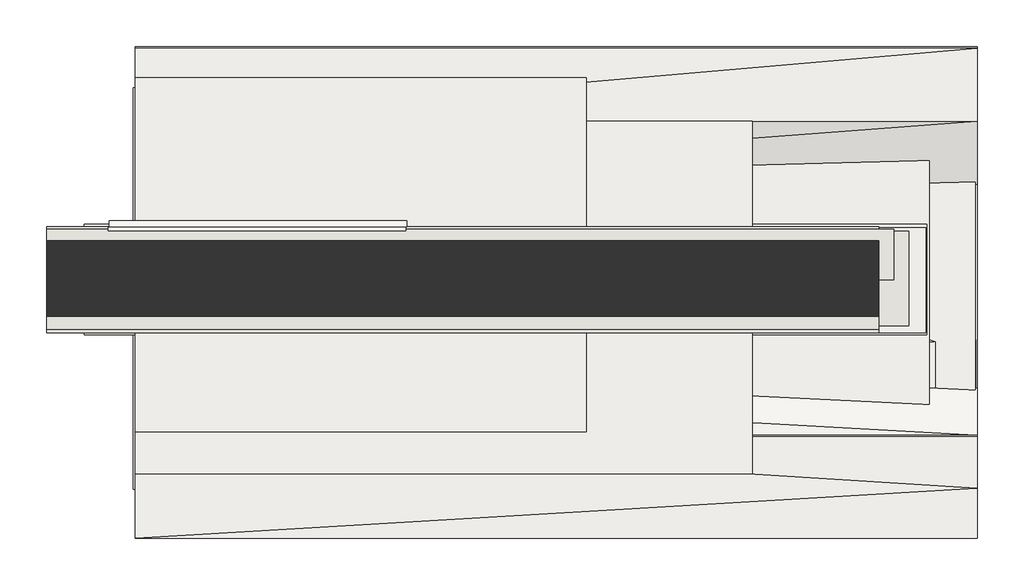
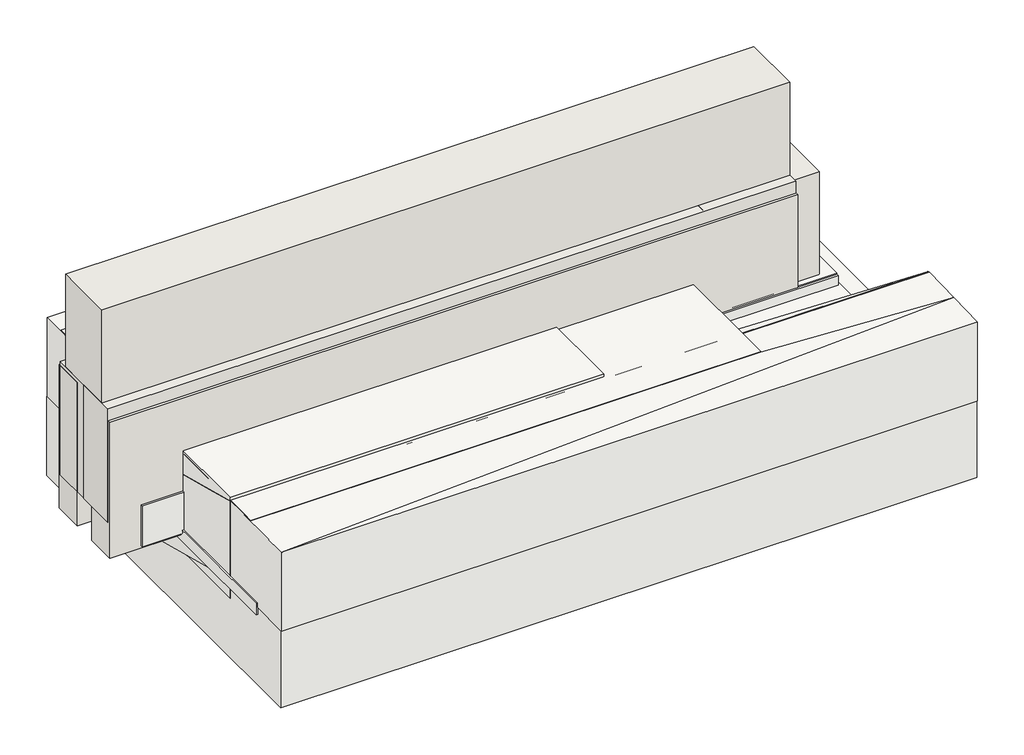
# One storey: 8 slabs, 6 walls, 2 coverings.
"""IFC4 building model written with IfcOpenShell, lengths in millimetres."""

from ifc_helpers import new_model, si_unit, frame, origin, place, context, project, spatial, polyline, outline, extrude, faceted_brep, element, save
from ifc_brep_helpers import plane_surface, spline_surface, advanced_brep

model = new_model("IFC4")

# Units and contexts
model_context = context("Model", 3, world=origin())
ifc_project = project(units=[si_unit("LENGTHUNIT", "METRE", prefix="MILLI")], contexts=[model_context])

# Site, building, storey
site = spatial("IfcSite", under=ifc_project)
building = spatial("IfcBuilding", under=site)
storey = spatial("IfcBuildingStorey", under=building, Elevation=0.0)

# Coverings
placement = place(None, origin())
element("IfcCovering", 1, at=placement, inside=storey, context=model_context, shape_type="SweptSolid", body=[
    extrude(outline(polyline([(7980.4213476, 4397.1151596), (7980.4213476, 2805.2274414), (4640.4213476, 2805.2274414), (4640.4213476, 4397.1151596), (7980.4213476, 4397.1151596)])), frame((0.0, 0.0, 220.0), z_axis=(0.0, 0.0, 1.0), x_axis=(1.0, 0.0, 0.0)), (0.0, 0.0, 1.0), 57.0),
])
element("IfcCovering", 2, at=placement, inside=storey, context=model_context, shape_type="SweptSolid", body=[
    extrude(outline(polyline([(7783.6535359, 3841.1877336), (7783.6535359, 3426.1877336), (4443.6535359, 3426.1877336), (4443.6535359, 3841.1877336), (7783.6535359, 3841.1877336)])), frame((0.0, 0.0, 425.8932997), z_axis=(0.0, 0.0, 1.0), x_axis=(1.0, 0.0, 0.0)), (0.0, 0.0, 1.0), 52.0),
])

# Slabs
element("IfcSlab", 3, at=placement, inside=storey, context=model_context, shape_type="SweptSolid", body=[
    extrude(outline(polyline([(7989.0877414, 4560.543224), (7989.0877414, 2616.3166013), (4648.7564856, 2616.3166013), (4648.7564856, 4560.543224), (7989.0877414, 4560.543224)])), frame((0.0, 0.0, -140.0), z_axis=(0.0, 0.0, 1.0), x_axis=(1.0, 0.0, 0.0)), (0.0, 0.0, 1.0), 400.0),
])
element("IfcSlab", 4, at=placement, inside=storey, context=model_context, shape_type="SweptSolid", body=[
    extrude(outline(polyline([(7096.2912026, 4264.9460825), (7096.2912026, 2865.3859689), (4648.7564856, 2865.3859689), (4648.7564856, 4264.9460825), (7096.2912026, 4264.9460825)])), frame((0.0, 0.0, 260.0), z_axis=(0.0, 0.0, 1.0), x_axis=(1.0, 0.0, 0.0)), (0.0, 0.0, 1.0), 400.0),
])
element("IfcSlab", 5, at=placement, inside=storey, context=model_context, shape_type="SweptSolid", body=[
    extrude(outline(polyline([(7797.5447495, 4364.3734115), (7797.5447495, 2938.1356636), (4837.2134937, 2938.1356636), (4837.2134937, 4364.3734115), (7797.5447495, 4364.3734115)])), frame((0.0, 0.0, 165.0), z_axis=(0.0, 0.0, 1.0), x_axis=(1.0, 0.0, 0.0)), (0.0, 0.0, 1.0), 255.0),
])
element("IfcSlab", 6, at=placement, inside=storey, context=model_context, shape_type="SweptSolid", body=[
    extrude(outline(polyline([(7787.3391357, 3856.6185953), (7787.3391357, 3417.0584817), (4447.00788, 3417.0584817), (4447.00788, 3856.6185953), (7787.3391357, 3856.6185953)])), frame((0.0, 0.0, 259.6715829), z_axis=(0.0, 0.0, 1.0), x_axis=(1.0, 0.0, 0.0)), (0.0, 0.0, 1.0), 210.0),
])
element("IfcSlab", 7, at=placement, inside=storey, context=model_context, shape_type="Brep", body=[
    faceted_brep([(7988.4148019, 4554.2720647, 260.0), (7988.4148019, 4554.2720647, 660.0), (7988.4148019, 4263.8182402, 660.0), (7988.4148019, 4013.2127596, 260.0), (7988.4148019, 3399.0174095, 260.0), (7988.4148019, 3205.660579, 260.0), (7988.4148019, 3019.6042042, 660.0), (7988.4148019, 3012.3037485, 660.0), (7988.4148019, 2808.8158219, 655.8807445), (7988.4148019, 2610.045442, 651.761489), (7988.4148019, 2610.045442, 251.761489), (7988.4148019, 2808.8158219, 255.8807445), (7988.4148019, 3012.3037485, 260.0), (7988.4148019, 3019.6042042, 260.0), (7988.4148019, 3205.660579, -140.0), (7988.4148019, 3399.0174095, -140.0), (7988.4148019, 4013.2127596, -140.0), (7988.4148019, 4263.8182402, 260.0), (4648.0835461, 2610.045442, 651.761489), (4648.0835461, 2610.045442, 251.761489), (4648.0835461, 3019.6042042, 660.0), (4648.0835461, 3205.660579, 611.5057611), (4648.0835461, 4013.2127596, 401.023167), (4648.0835461, 4263.8182402, 660.0), (4648.0835461, 4554.2720647, 664.429783), (4648.0835461, 4554.2720647, 264.429783), (4648.0835461, 4263.8182402, 260.0), (4648.0835461, 4013.2127596, 1.023167), (4648.0835461, 3205.660579, 211.5057611), (4648.0835461, 3019.6042042, 260.0)], [[[0, 1, 2, 3, 4, 5, 6, 7, 8, 9, 10, 11, 12, 13, 14, 15, 16, 17]], [[10, 9, 18, 19]], [[19, 18, 20, 21, 22, 23, 24, 25, 26, 27, 28, 29]], [[25, 24, 1, 0]], [[18, 9, 8]], [[19, 11, 10]], [[18, 8, 20]], [[19, 29, 11]], [[7, 6, 20]], [[7, 20, 8]], [[12, 29, 13]], [[12, 11, 29]], [[6, 21, 20]], [[4, 21, 5]], [[5, 21, 6]], [[13, 29, 28]], [[15, 14, 28]], [[14, 13, 28]], [[4, 3, 22]], [[15, 27, 16]], [[24, 23, 1]], [[1, 23, 2]], [[25, 0, 26]], [[0, 17, 26]], [[2, 23, 22]], [[4, 22, 21]], [[17, 27, 26]], [[15, 28, 27]], [[2, 22, 3]], [[17, 16, 27]]]),
])
element("IfcSlab", 8, at=placement, inside=storey, context=model_context, shape_type="SweptSolid", body=[
    extrude(outline(polyline([(3843.6085403, 1020.0), (3829.9870133, 1020.0), (3829.9870133, 1052.1580077), (3843.6085403, 1052.3211704), (3843.6085403, 1020.0)])), frame((4540.7506837, 0.0, 0.0), z_axis=(1.0, 0.0, 0.0), x_axis=(0.0, 1.0, 0.0)), (0.0, 0.0, 1.0), 1180.0),
])
element("IfcSlab", 9, at=placement, inside=storey, context=model_context, shape_type="AdvancedBrep", body=[
    advanced_brep(
    [(4545.0648787, 3869.8233728, 954.3852166), (5725.0648787, 3869.8233728, 954.3852166), (5725.0648787, 3846.437095, 954.3852166), (4545.0648787, 3846.437095, 954.3852166), (5725.0648787, 3869.8233728, 986.706387), (5725.0648787, 3846.437095, 1020.0), (4545.0648787, 3846.437095, 1022.5320011), (4545.0648787, 3869.8233728, 986.706387)],
    [
        (0, 1),
        (1, 2),
        (2, 3),
        (3, 0),
        (1, 4),
        (4, 5),
        (5, 2),
        (5, 6),
        (6, 3),
        (6, 7),
        (7, 0),
        (7, 4),
    ],
    [
        plane_surface(frame((5725.0648787, 3869.8233728, 954.3852166), z_axis=(0.0, 0.0, -1.0), x_axis=(1.0, 0.0, 0.0))),
        plane_surface(frame((5725.0648787, 3869.8233728, 954.3852166), z_axis=(1.0, 0.0, 0.0), x_axis=(0.0, 0.0, 1.0))),
        plane_surface(frame((5725.0648787, 3846.437095, 954.3852166), z_axis=(0.0, -1.0, 0.0), x_axis=(0.0, 0.0, 1.0))),
        plane_surface(frame((4545.0648787, 3846.437095, 954.3852166), z_axis=(-1.0, 0.0, 0.0), x_axis=(0.0, 0.0, 1.0))),
        plane_surface(frame((4545.0648787, 3869.8233728, 954.3852166), z_axis=(0.0, 1.0, 0.0), x_axis=(0.0, 0.0, 1.0))),
        spline_surface(1, 1, [[(5725.0648787, 3846.437095, 1020.0), (4545.0648787, 3846.437095, 1022.5320011)], [(5725.0648787, 3869.8233728, 986.706387), (4545.0648787, 3869.8233728, 986.706387)]], [2, 2], [2, 2], [0.0, 1.0], [0.0, 1.0]),
    ],
    [
        (0, [[1, 2, 3, 4]]),
        (1, [[-2, 5, 6, 7]]),
        (2, [[-3, -7, 8, 9]]),
        (3, [[-4, -9, 10, 11]]),
        (4, [[-1, -11, 12, -5]]),
        (5, [[-8, -6, -12, -10]]),
    ],
),
])
element("IfcSlab", 10, at=placement, inside=storey, context=model_context, shape_type="SweptSolid", body=[
    extrude(outline(polyline([(4648.443637, 3031.8860534), (4648.443637, 4435.9166651), (6438.1654063, 4435.9166651), (6438.1654063, 3031.8860534), (4648.443637, 3031.8860534)])), frame((0.0, 0.0, 163.8446267), z_axis=(0.0, 0.0, 1.0), x_axis=(1.0, 0.0, 0.0)), (0.0, 0.0, 1.0), 510.0),
])

# Walls
element("IfcWall", 11, at=placement, inside=storey, context=model_context, shape_type="SweptSolid", body=[
    extrude(outline(polyline([(4296.6224583, 3790.0341508), (7596.6224583, 3790.0341508), (7596.6224583, 3490.0341508), (4296.6224583, 3490.0341508), (4296.6224583, 3790.0341508)])), frame((0.0, 0.0, 1000.0), z_axis=(0.0, 0.0, 1.0), x_axis=(1.0, 0.0, 0.0)), (0.0, 0.0, 1.0), 471.4893928),
])
element("IfcWall", 12, at=placement, inside=storey, context=model_context, shape_type="SweptSolid", body=[
    extrude(outline(polyline([(4296.6224583, 3640.0341508), (7596.6224583, 3640.0341508), (7596.6224583, 3440.0341508), (4296.6224583, 3440.0341508), (4296.6224583, 3640.0341508)])), frame((0.0, 0.0, 424.2217168), z_axis=(0.0, 0.0, 1.0), x_axis=(1.0, 0.0, 0.0)), (0.0, 0.0, 1.0), 575.7782832),
])
element("IfcWall", 13, at=placement, inside=storey, context=model_context, shape_type="SweptSolid", body=[
    extrude(outline(polyline([(7656.6224583, 3635.0341508), (4296.6224583, 3635.0341508), (4296.6224583, 3835.0341508), (7656.6224583, 3835.0341508), (7656.6224583, 3635.0341508)])), frame((0.0, 0.0, 424.2217168), z_axis=(0.0, 0.0, 1.0), x_axis=(1.0, 0.0, 0.0)), (0.0, 0.0, 1.0), 575.7782832),
])
element("IfcWall", 14, at=placement, inside=storey, context=model_context, shape_type="SweptSolid", body=[
    extrude(outline(polyline([(7156.6224583, 3827.5341508), (7716.6224583, 3827.5341508), (7716.6224583, 3452.5341508), (7156.6224583, 3452.5341508), (7156.6224583, 3827.5341508)])), frame((0.0, 0.0, 425.1638555), z_axis=(0.0, 0.0, 1.0), x_axis=(1.0, 0.0, 0.0)), (0.0, 0.0, 1.0), 574.8361445),
])
element("IfcWall", 15, at=placement, inside=storey, context=model_context, shape_type="SweptSolid", body=[
    extrude(outline(polyline([(4296.6224583, 3575.0341508), (7596.6224583, 3575.0341508), (7596.6224583, 3425.0341508), (4296.6224583, 3425.0341508), (4296.6224583, 3575.0341508)])), frame((0.0, 0.0, 251.2217168), z_axis=(0.0, 0.0, 1.0), x_axis=(1.0, 0.0, 0.0)), (0.0, 0.0, 1.0), 688.7782832),
])
element("IfcWall", 16, at=placement, inside=storey, context=model_context, shape_type="SweptSolid", body=[
    extrude(outline(polyline([(7596.6224583, 3695.0341508), (4296.6224583, 3695.0341508), (4296.6224583, 3845.0341508), (7596.6224583, 3845.0341508), (7596.6224583, 3695.0341508)])), frame((0.0, 0.0, 251.2217168), z_axis=(0.0, 0.0, 1.0), x_axis=(1.0, 0.0, 0.0)), (0.0, 0.0, 1.0), 728.7782832),
])

save(model, "model.ifc")
